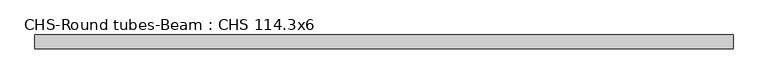
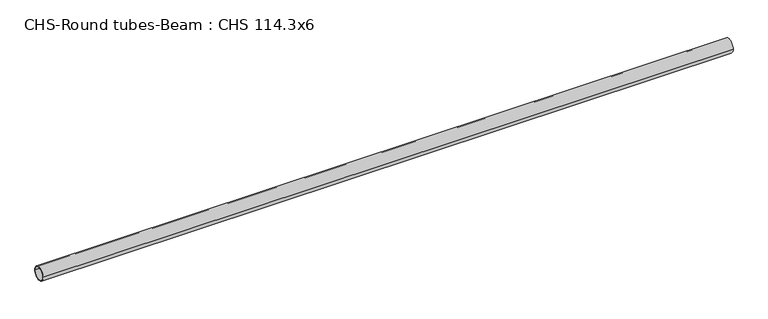
"""IFC4 building model written with IfcOpenShell, lengths in millimetres: beam geometry, CHS-Round tubes-Beam : CHS 114.3x6."""

from ifc_helpers import new_model, si_unit, point, frame, origin, origin_2d, place, context, project, spatial, circle_curve, trimmed, segment, composite_curve, outline, extrude, source, transform, mapped, element, save


def chs_round_tubes_beam_chs_114_3x6_a55ef3e9(model_context):
    return source(origin(), model_context, "Body", "SweptSolid", [
        extrude(outline(composite_curve([segment(trimmed(circle_curve(origin_2d(), 57.15), [point((57.15, 0.0))], [point((-57.15, 0.0))], False, "CARTESIAN"), True, "CONTINUOUS"), segment(trimmed(circle_curve(origin_2d(), 57.15), [point((-57.15, 0.0))], [point((57.15, 0.0))], False, "CARTESIAN"), True, "CONTINUOUS")], self_intersect=False), holes=[composite_curve([segment(trimmed(circle_curve(origin_2d(), 51.15), [point((51.15, 0.0))], [point((-51.15, 0.0))], True, "CARTESIAN"), True, "CONTINUOUS"), segment(trimmed(circle_curve(origin_2d(), 51.15), [point((-51.15, 0.0))], [point((51.15, 0.0))], True, "CARTESIAN"), True, "CONTINUOUS")], self_intersect=False)]), frame((-3048.0238402, 0.0, 0.0), z_axis=(1.0, 0.0, 0.0), x_axis=(0.0, 1.0, 0.0)), (0.0, 0.0, 1.0), 5715.3695881),
    ])


if __name__ == "__main__":
    model = new_model("IFC4")
    model_context = context("Model", 3, world=origin())
    ifc_project = project(units=[si_unit("LENGTHUNIT", "METRE", prefix="MILLI")], contexts=[model_context])
    site = spatial("IfcSite", under=ifc_project)
    building = spatial("IfcBuilding", under=site)
    placement = place(None, origin())
    chs_round_tubes_beam_chs_114_3x6_shape = chs_round_tubes_beam_chs_114_3x6_a55ef3e9(model_context)
    element("IfcBeam", 1, ObjectType="CHS-Round tubes-Beam : CHS 114.3x6", at=placement, inside=building, context=model_context, shape_type="MappedRepresentation", body=[
        mapped(chs_round_tubes_beam_chs_114_3x6_shape, transform((0.0, 0.0, 0.0), x_axis=(1.0, 0.0, 0.0), y_axis=(0.0, 1.0, 0.0), z_axis=(0.0, 0.0, 1.0))),
    ])
    save(model, "model.ifc")
